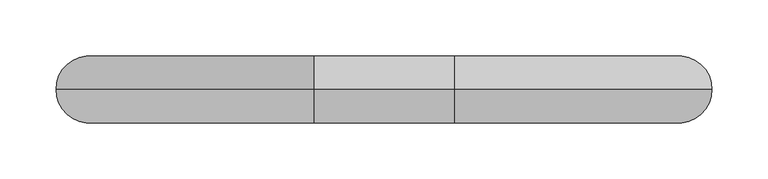
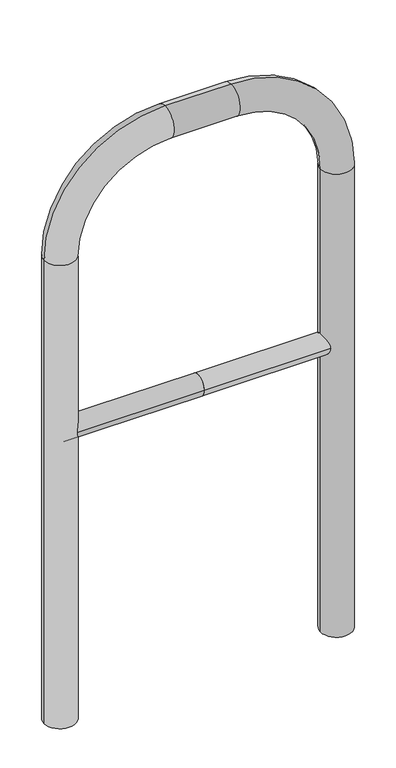
"""IFC4 building model written with IfcOpenShell, lengths in millimetres: proxy geometry."""

from ifc_helpers import new_model, si_unit, point, frame, frame_2d, origin, place, context, project, spatial, circle_curve, ellipse_curve, trimmed, segment, composite_curve, outline, extrude, source, transform, mapped, element, save
from ifc_brep_helpers import plane_surface, cylinder_surface, revolved_surface, advanced_brep


def generic_models_07cce437(model_context):
    return source(origin(), model_context, "Body", "SolidModel", [
        extrude(outline(composite_curve([segment(trimmed(circle_curve(frame_2d((0.0, 498.4778375)), 20.0), [point((-20.0, 498.4778375))], [point((20.0, 498.4778375))], False, "CARTESIAN"), True, "CONTINUOUS"), segment(trimmed(circle_curve(frame_2d((0.0, 498.4778375)), 20.0), [point((20.0, 498.4778375))], [point((-20.0, 498.4778375))], False, "CARTESIAN"), True, "CONTINUOUS")], self_intersect=False)), frame((-262.7809702, 0.0, 0.0), z_axis=(1.0, 0.0, 0.0), x_axis=(0.0, 1.0, 0.0)), (0.0, 0.0, 1.0), 262.7809702),
        extrude(outline(composite_curve([segment(trimmed(circle_curve(frame_2d((0.0, 498.4778375)), 20.0), [point((-20.0, 498.4778375))], [point((20.0, 498.4778375))], False, "CARTESIAN"), True, "CONTINUOUS"), segment(trimmed(circle_curve(frame_2d((0.0, 498.4778375)), 20.0), [point((20.0, 498.4778375))], [point((-20.0, 498.4778375))], False, "CARTESIAN"), True, "CONTINUOUS")], self_intersect=False)), frame((0.0, 0.0, 0.0), z_axis=(1.0, 0.0, 0.0), x_axis=(0.0, 1.0, 0.0)), (0.0, 0.0, 1.0), 262.7809702),
        advanced_brep(
        [(-232.7809702, 0.0, -80.0), (-292.7809702, 0.0, -80.0), (-232.7809702, 0.0, 850.0), (-292.7809702, 0.0, 850.0), (-62.7809702, 0.0, 1080.0), (-62.7809702, 0.0, 1020.0), (62.7809702, 0.0, 1020.0), (62.7809702, 0.0, 1080.0), (292.7809702, 0.0, 850.0), (232.7809702, 0.0, 850.0), (232.7809702, 0.0, -80.0), (292.7809702, 0.0, -80.0)],
        [
            (0, 1, circle_curve(frame((-262.7809702, 0.0, -80.0), z_axis=(0.0, 0.0, -1.0), x_axis=(-1.0, 0.0, 0.0)), 30.0)),
            (1, 0, circle_curve(frame((-262.7809702, 0.0, -80.0), z_axis=(0.0, 0.0, -1.0), x_axis=(-1.0, 0.0, 0.0)), 30.0)),
            (0, 2),
            (2, 3, circle_curve(frame((-262.7809702, 0.0, 850.0), z_axis=(0.0, 0.0, -1.0), x_axis=(-1.0, 0.0, 0.0)), 30.0)),
            (3, 1),
            (3, 2, circle_curve(frame((-262.7809702, 0.0, 850.0), z_axis=(0.0, 0.0, -1.0), x_axis=(-1.0, 0.0, 0.0)), 30.0)),
            (4, 3, circle_curve(frame((-62.7809702, 0.0, 850.0), z_axis=(0.0, -1.0, 0.0), x_axis=(-1.0, 0.0, 0.0)), 230.0)),
            (2, 5, circle_curve(frame((-62.7809702, 0.0, 850.0), z_axis=(0.0, 1.0, 0.0), x_axis=(-1.0, 0.0, 0.0)), 170.0)),
            (5, 4, circle_curve(frame((-62.7809702, 0.0, 1050.0), z_axis=(-1.0, 0.0, 0.0), x_axis=(0.0, 0.0, 1.0)), 30.0)),
            (4, 5, circle_curve(frame((-62.7809702, 0.0, 1050.0), z_axis=(-1.0, 0.0, 0.0), x_axis=(0.0, 0.0, 1.0)), 30.0)),
            (5, 6),
            (6, 7, circle_curve(frame((62.7809702, 0.0, 1050.0), z_axis=(-1.0, 0.0, 0.0), x_axis=(0.0, 0.0, 1.0)), 30.0)),
            (7, 4),
            (7, 6, circle_curve(frame((62.7809702, 0.0, 1050.0), z_axis=(-1.0, 0.0, 0.0), x_axis=(0.0, 0.0, 1.0)), 30.0)),
            (8, 7, circle_curve(frame((62.7809702, 0.0, 850.0), z_axis=(0.0, -1.0, 0.0), x_axis=(0.0, 0.0, 1.0)), 230.0)),
            (6, 9, circle_curve(frame((62.7809702, 0.0, 850.0), z_axis=(0.0, 1.0, 0.0), x_axis=(0.0, 0.0, 1.0)), 170.0)),
            (9, 8, circle_curve(frame((262.7809702, 0.0, 850.0), z_axis=(0.0, 0.0, 1.0), x_axis=(1.0, 0.0, 0.0)), 30.0)),
            (8, 9, circle_curve(frame((262.7809702, 0.0, 850.0), z_axis=(0.0, 0.0, 1.0), x_axis=(1.0, 0.0, 0.0)), 30.0)),
            (10, 11, circle_curve(frame((262.7809702, 0.0, -80.0), z_axis=(0.0, 0.0, -1.0), x_axis=(1.0, 0.0, 0.0)), 30.0)),
            (11, 10, circle_curve(frame((262.7809702, 0.0, -80.0), z_axis=(0.0, 0.0, -1.0), x_axis=(1.0, 0.0, 0.0)), 30.0)),
            (9, 10),
            (11, 8),
        ],
        [
            plane_surface(frame((-262.7809702, 0.0, -80.0), z_axis=(0.0, 0.0, -1.0), x_axis=(0.0, -1.0, 0.0))),
            cylinder_surface(frame((-262.7809702, 0.0, -80.0), z_axis=(0.0, 0.0, -1.0), x_axis=(-1.0, 0.0, 0.0)), 30.0),
            revolved_surface(trimmed(ellipse_curve(frame((-262.7809702, 0.0, 850.0), z_axis=(0.0, 0.0, -1.0), x_axis=(-1.0, 0.0, 0.0)), 30.0, 30.0), [point((-232.7809702, 0.0, 850.0))], [point((-292.7809702, 0.0, 850.0))], True, "CARTESIAN"), (-62.7809702, 0.0, 850.0), (0.0, 1.0, 0.0)),
            revolved_surface(trimmed(ellipse_curve(frame((-262.7809702, 0.0, 850.0), z_axis=(0.0, 0.0, -1.0), x_axis=(-1.0, 0.0, 0.0)), 30.0, 30.0), [point((-292.7809702, 0.0, 850.0))], [point((-232.7809702, 0.0, 850.0))], True, "CARTESIAN"), (-62.7809702, 0.0, 850.0), (0.0, 1.0, 0.0)),
            cylinder_surface(frame((-62.7809702, 0.0, 1050.0), z_axis=(-1.0, 0.0, 0.0), x_axis=(0.0, 0.0, 1.0)), 30.0),
            revolved_surface(trimmed(ellipse_curve(frame((62.7809702, 0.0, 1050.0), z_axis=(-1.0, 0.0, 0.0), x_axis=(0.0, 0.0, 1.0)), 30.0, 30.0), [point((62.7809702, 0.0, 1020.0))], [point((62.7809702, 0.0, 1080.0))], True, "CARTESIAN"), (62.7809702, 0.0, 850.0), (0.0, 1.0, 0.0)),
            revolved_surface(trimmed(ellipse_curve(frame((62.7809702, 0.0, 1050.0), z_axis=(-1.0, 0.0, 0.0), x_axis=(0.0, 0.0, 1.0)), 30.0, 30.0), [point((62.7809702, 0.0, 1080.0))], [point((62.7809702, 0.0, 1020.0))], True, "CARTESIAN"), (62.7809702, 0.0, 850.0), (0.0, 1.0, 0.0)),
            plane_surface(frame((262.7809702, 0.0, -80.0), z_axis=(0.0, 0.0, -1.0), x_axis=(0.0, -1.0, 0.0))),
            cylinder_surface(frame((262.7809702, 0.0, 850.0), z_axis=(0.0, 0.0, 1.0), x_axis=(1.0, 0.0, 0.0)), 30.0),
        ],
        [
            (0, [[1, 2]]),
            (1, [[-1, 3, 4, 5]]),
            (1, [[-2, -5, 6, -3]]),
            (2, [[7, -4, 8, 9]]),
            (3, [[-8, -6, -7, 10]]),
            (4, [[-9, 11, 12, 13]]),
            (4, [[-10, -13, 14, -11]]),
            (5, [[15, -12, 16, 17]]),
            (6, [[-16, -14, -15, 18]]),
            (7, [[19, 20]]),
            (8, [[-17, 21, -20, 22]]),
            (8, [[-18, -22, -19, -21]]),
        ],
    ),
    ])


if __name__ == "__main__":
    model = new_model("IFC4")
    model_context = context("Model", 3, world=origin())
    ifc_project = project(units=[si_unit("LENGTHUNIT", "METRE", prefix="MILLI")], contexts=[model_context])
    site = spatial("IfcSite", under=ifc_project)
    building = spatial("IfcBuilding", under=site)
    placement = place(None, origin())
    generic_models_shape = generic_models_07cce437(model_context)
    element("IfcBuildingElementProxy", 1, Name="Generic Models", at=placement, inside=building, context=model_context, shape_type="MappedRepresentation", body=[
        mapped(generic_models_shape, transform((0.0, 0.0, 0.0), x_axis=(1.0, 0.0, 0.0), y_axis=(0.0, 1.0, 0.0), z_axis=(0.0, 0.0, 1.0))),
    ])
    save(model, "model.ifc")
